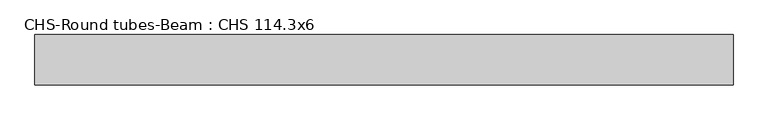
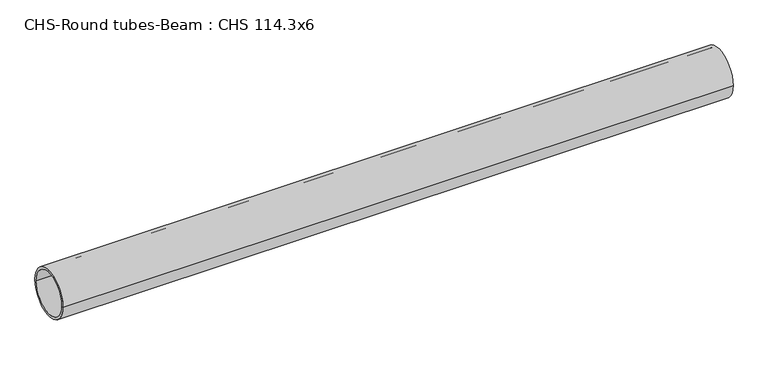
"""IFC4 building model written with IfcOpenShell, lengths in millimetres: beam geometry, CHS-Round tubes-Beam : CHS 114.3x6."""

from ifc_helpers import new_model, si_unit, point, frame, origin, origin_2d, place, context, project, spatial, circle_curve, trimmed, segment, composite_curve, outline, extrude, source, transform, mapped, element, save


def chs_round_tubes_beam_chs_114_3x6_8475ac84(model_context):
    return source(origin(), model_context, "Body", "SweptSolid", [
        extrude(outline(composite_curve([segment(trimmed(circle_curve(origin_2d(), 57.15), [point((57.15, 0.0))], [point((-57.15, 0.0))], False, "CARTESIAN"), True, "CONTINUOUS"), segment(trimmed(circle_curve(origin_2d(), 57.15), [point((-57.15, 0.0))], [point((57.15, 0.0))], False, "CARTESIAN"), True, "CONTINUOUS")], self_intersect=False), holes=[composite_curve([segment(trimmed(circle_curve(origin_2d(), 51.15), [point((51.15, 0.0))], [point((-51.15, 0.0))], True, "CARTESIAN"), True, "CONTINUOUS"), segment(trimmed(circle_curve(origin_2d(), 51.15), [point((-51.15, 0.0))], [point((51.15, 0.0))], True, "CARTESIAN"), True, "CONTINUOUS")], self_intersect=False)]), frame((-785.537671, 0.0, 0.0), z_axis=(1.0, 0.0, 0.0), x_axis=(0.0, 1.0, 0.0)), (0.0, 0.0, 1.0), 1582.2371594),
    ])


if __name__ == "__main__":
    model = new_model("IFC4")
    model_context = context("Model", 3, world=origin())
    ifc_project = project(units=[si_unit("LENGTHUNIT", "METRE", prefix="MILLI")], contexts=[model_context])
    site = spatial("IfcSite", under=ifc_project)
    building = spatial("IfcBuilding", under=site)
    placement = place(None, origin())
    chs_round_tubes_beam_chs_114_3x6_shape = chs_round_tubes_beam_chs_114_3x6_8475ac84(model_context)
    element("IfcBeam", 1, ObjectType="CHS-Round tubes-Beam : CHS 114.3x6", at=placement, inside=building, context=model_context, shape_type="MappedRepresentation", body=[
        mapped(chs_round_tubes_beam_chs_114_3x6_shape, transform((0.0, 0.0, 0.0), x_axis=(1.0, 0.0, 0.0), y_axis=(0.0, 1.0, 0.0), z_axis=(0.0, 0.0, 1.0))),
    ])
    save(model, "model.ifc")
